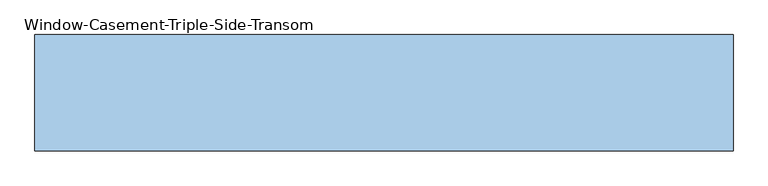
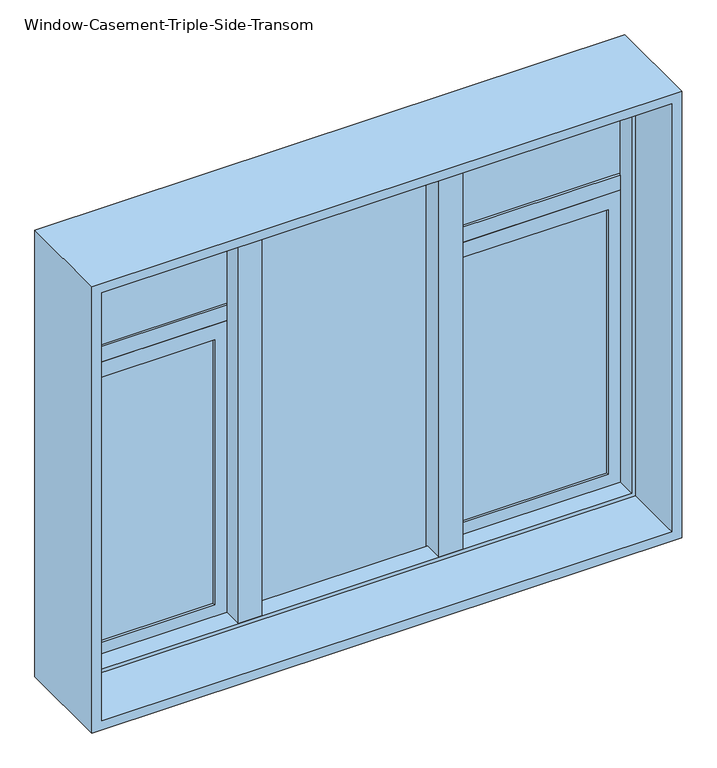
"""IFC4 building model written with IfcOpenShell, lengths in millimetres: window geometry, Window-Casement-Triple-Side-Transom."""

from ifc_helpers import new_model, si_unit, frame, origin, place, context, project, spatial, polyline, outline, extrude, faceted_brep, source, transform, mapped, element, save


def window_casement_triple_side_transom_94e0c3a0(model_context):
    return source(origin(), model_context, "Body", "SolidModel", [
        faceted_brep([(-736.6, 85.725, 1955.8), (-736.6, 127.0, 1955.8), (736.6, 127.0, 1955.8), (736.6, 85.725, 1955.8), (-726.4796875, 34.925, 1945.6796875), (-726.4796875, 85.725, 1945.6796875), (726.4796875, 85.725, 1945.6796875), (726.4796875, 34.925, 1945.6796875), (-736.6, -127.0, 1955.8), (-736.6, 34.925, 1955.8), (736.6, 34.925, 1955.8), (736.6, -127.0, 1955.8), (-762.0, 127.0, 1981.2), (-762.0, -127.0, 1981.2), (762.0, -127.0, 1981.2), (762.0, 127.0, 1981.2), (736.6, 127.0, 787.4), (736.6, 85.725, 787.4), (726.4796875, 85.725, 797.5203125), (726.4796875, 34.925, 797.5203125), (736.6, 34.925, 787.4), (736.6, -127.0, 787.4), (762.0, -127.0, 762.0), (762.0, 127.0, 762.0), (-736.6, 127.0, 787.4), (-736.6, 85.725, 787.4), (-726.4796875, 85.725, 797.5203125), (-726.4796875, 34.925, 797.5203125), (-736.6, 34.925, 787.4), (-736.6, -127.0, 787.4), (-762.0, -127.0, 762.0), (-762.0, 127.0, 762.0)], [[[0, 1, 2, 3]], [[4, 5, 6, 7]], [[8, 9, 10, 11]], [[12, 13, 14, 15]], [[3, 2, 16, 17]], [[7, 6, 18, 19]], [[11, 10, 20, 21]], [[15, 14, 22, 23]], [[17, 16, 24, 25]], [[19, 18, 26, 27]], [[21, 20, 28, 29]], [[23, 22, 30, 31]], [[25, 24, 1, 0]], [[3, 17, 25, 0], [5, 26, 18, 6]], [[27, 26, 5, 4]], [[9, 28, 20, 10], [7, 19, 27, 4]], [[29, 28, 9, 8]], [[13, 30, 22, 14], [11, 21, 29, 8]], [[31, 30, 13, 12]], [[15, 23, 31, 12], [1, 24, 16, 2]]]),
        extrude(outline(polyline([(-228.6, 123.825), (-228.6, 34.925), (-289.5203125, 34.925), (-289.5203125, 85.725), (-279.4, 85.725), (-279.4, 123.825), (-228.6, 123.825)])), frame((0.0, 0.0, 787.4), z_axis=(0.0, 0.0, 1.0), x_axis=(1.0, 0.0, 0.0)), (0.0, 0.0, 1.0), 1168.4),
        extrude(outline(polyline([(279.4, 123.825), (279.4, 85.725), (289.5203125, 85.725), (289.5203125, 34.925), (228.6, 34.925), (228.6, 123.825), (279.4, 123.825)])), frame((0.0, 0.0, 787.4), z_axis=(0.0, 0.0, 1.0), x_axis=(1.0, 0.0, 0.0)), (0.0, 0.0, 1.0), 1168.4),
        extrude(outline(polyline([(1594.5048438, 279.4), (787.4, 279.4), (787.4, 736.6), (1594.5048438, 736.6), (1594.5048438, 279.4)]), holes=[polyline([(1552.6345313, 694.7296875), (829.2703125, 694.7296875), (829.2703125, 321.2703125), (1552.6345313, 321.2703125), (1552.6345313, 694.7296875)])]), frame((0.0, 85.725, 0.0), z_axis=(0.0, 1.0, 0.0), x_axis=(0.0, 0.0, 1.0)), (0.0, 0.0, 1.0), 31.75),
        extrude(outline(polyline([(1594.5048438, -736.6), (787.4, -736.6), (787.4, -279.4), (1594.5048438, -279.4), (1594.5048438, -736.6)]), holes=[polyline([(1552.6345313, -321.2703125), (829.2703125, -321.2703125), (829.2703125, -694.7296875), (1552.6345313, -694.7296875), (1552.6345313, -321.2703125)])]), frame((0.0, 85.725, 0.0), z_axis=(0.0, 1.0, 0.0), x_axis=(0.0, 0.0, 1.0)), (0.0, 0.0, 1.0), 31.75),
        extrude(outline(polyline([(-321.2703125, 111.125), (-321.2703125, 104.775), (-694.7296875, 104.775), (-694.7296875, 111.125), (-321.2703125, 111.125)])), frame((0.0, 0.0, 829.2703125), z_axis=(0.0, 0.0, 1.0), x_axis=(1.0, 0.0, 0.0)), (0.0, 0.0, 1.0), 723.3642188),
        extrude(outline(polyline([(-321.2703125, 98.425), (-321.2703125, 92.075), (-694.7296875, 92.075), (-694.7296875, 98.425), (-321.2703125, 98.425)])), frame((0.0, 0.0, 829.2703125), z_axis=(0.0, 0.0, 1.0), x_axis=(1.0, 0.0, 0.0)), (0.0, 0.0, 1.0), 723.3642188),
        extrude(outline(polyline([(694.7296875, 111.125), (694.7296875, 104.775), (321.2703125, 104.775), (321.2703125, 111.125), (694.7296875, 111.125)])), frame((0.0, 0.0, 829.2703125), z_axis=(0.0, 0.0, 1.0), x_axis=(1.0, 0.0, 0.0)), (0.0, 0.0, 1.0), 723.3642188),
        extrude(outline(polyline([(694.7296875, 98.425), (694.7296875, 92.075), (321.2703125, 92.075), (321.2703125, 98.425), (694.7296875, 98.425)])), frame((0.0, 0.0, 829.2703125), z_axis=(0.0, 0.0, 1.0), x_axis=(1.0, 0.0, 0.0)), (0.0, 0.0, 1.0), 723.3642188),
        extrude(outline(polyline([(736.6, 117.475), (736.6, 85.725), (279.4, 85.725), (279.4, 117.475), (736.6, 117.475)])), frame((0.0, 0.0, 1594.5048438), z_axis=(0.0, 0.0, 1.0), x_axis=(1.0, 0.0, 0.0)), (0.0, 0.0, 1.0), 41.8703125),
        extrude(outline(polyline([(228.6, 111.125), (228.6, 104.775), (-228.6, 104.775), (-228.6, 111.125), (228.6, 111.125)])), frame((0.0, 0.0, 787.4), z_axis=(0.0, 0.0, 1.0), x_axis=(1.0, 0.0, 0.0)), (0.0, 0.0, 1.0), 1168.4),
        extrude(outline(polyline([(228.6, 98.425), (228.6, 92.075), (-228.6, 92.075), (-228.6, 98.425), (228.6, 98.425)])), frame((0.0, 0.0, 787.4), z_axis=(0.0, 0.0, 1.0), x_axis=(1.0, 0.0, 0.0)), (0.0, 0.0, 1.0), 1168.4),
        extrude(outline(polyline([(-279.4, 117.475), (-279.4, 85.725), (-736.6, 85.725), (-736.6, 117.475), (-279.4, 117.475)])), frame((0.0, 0.0, 1594.5048438), z_axis=(0.0, 0.0, 1.0), x_axis=(1.0, 0.0, 0.0)), (0.0, 0.0, 1.0), 41.8703125),
        extrude(outline(polyline([(-279.4, 111.125), (-279.4, 104.775), (-736.6, 104.775), (-736.6, 111.125), (-279.4, 111.125)])), frame((0.0, 0.0, 1636.3751563), z_axis=(0.0, 0.0, 1.0), x_axis=(1.0, 0.0, 0.0)), (0.0, 0.0, 1.0), 319.4248438),
        extrude(outline(polyline([(-279.4, 98.425), (-279.4, 92.075), (-736.6, 92.075), (-736.6, 98.425), (-279.4, 98.425)])), frame((0.0, 0.0, 1636.3751563), z_axis=(0.0, 0.0, 1.0), x_axis=(1.0, 0.0, 0.0)), (0.0, 0.0, 1.0), 319.4248438),
        extrude(outline(polyline([(736.6, 111.125), (736.6, 104.775), (279.4, 104.775), (279.4, 111.125), (736.6, 111.125)])), frame((0.0, 0.0, 1636.3751563), z_axis=(0.0, 0.0, 1.0), x_axis=(1.0, 0.0, 0.0)), (0.0, 0.0, 1.0), 319.4248438),
        extrude(outline(polyline([(736.6, 98.425), (736.6, 92.075), (279.4, 92.075), (279.4, 98.425), (736.6, 98.425)])), frame((0.0, 0.0, 1636.3751563), z_axis=(0.0, 0.0, 1.0), x_axis=(1.0, 0.0, 0.0)), (0.0, 0.0, 1.0), 319.4248438),
    ])


if __name__ == "__main__":
    model = new_model("IFC4")
    model_context = context("Model", 3, world=origin())
    ifc_project = project(units=[si_unit("LENGTHUNIT", "METRE", prefix="MILLI")], contexts=[model_context])
    site = spatial("IfcSite", under=ifc_project)
    building = spatial("IfcBuilding", under=site)
    placement = place(None, origin())
    window_casement_triple_side_transom_shape = window_casement_triple_side_transom_94e0c3a0(model_context)
    element("IfcWindow", 1, ObjectType="Window-Casement-Triple-Side-Transom", at=placement, inside=building, context=model_context, shape_type="MappedRepresentation", body=[
        mapped(window_casement_triple_side_transom_shape, transform((0.0, 0.0, 0.0), x_axis=(1.0, 0.0, 0.0), y_axis=(0.0, 1.0, 0.0), z_axis=(0.0, 0.0, 1.0))),
    ])
    save(model, "model.ifc")
